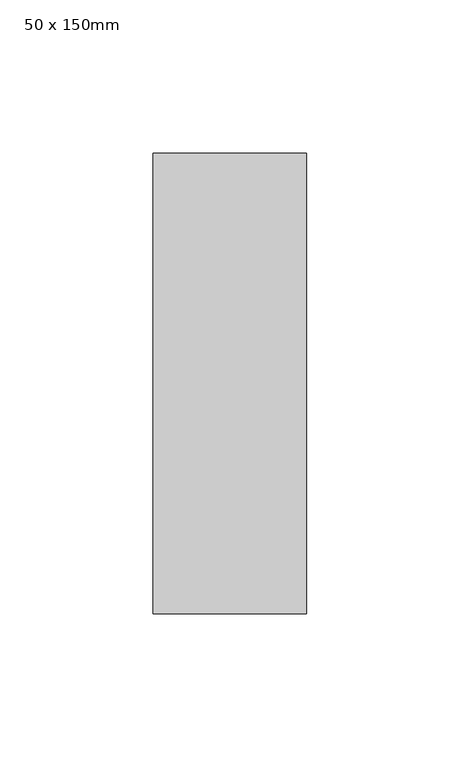
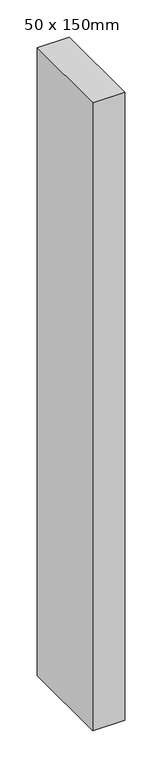
"""IFC4 building model written with IfcOpenShell, lengths in millimetres: member geometry, 50 x 150mm."""

import ifcopenshell
import ifcopenshell.guid

model = None  # the IFC model being written
_history = None  # IfcOwnerHistory: only IFC2X3 demands one
_inside = {}  # id of a spatial element -> (the spatial element, [elements in it])
_under = {}  # id of a project, library or spatial element -> (it, [spatial elements below it])
_declared = {}  # id of a project -> (the project, [libraries it declares])
_typed = {}  # id of a type object -> (the type object, [elements of that type])
_made_of = {}  # id of a material, layer set ... -> (it, [elements and type objects made of it])


def new_model(schema):
    """Start an empty IFC model of exactly this schema.

    Asked for "IFC4X3", IfcOpenShell would pick the latest addendum, in which some entities
    have other attributes; the version numbers below select the first issue.
    IFC2X3 requires an IfcOwnerHistory on every rooted entity: one is made here for all.
    """
    global model, _history
    if schema == "IFC4X3":
        model = ifcopenshell.file(schema_version=(4, 3, 0, 0))
    else:
        model = ifcopenshell.file(schema=schema)
    _inside.clear()
    _under.clear()
    _declared.clear()
    _typed.clear()
    _made_of.clear()
    _history = None
    if model.schema == "IFC2X3":
        org = make("IfcOrganization", Name="unknown")
        user = make(
            "IfcPersonAndOrganization",
            ThePerson=make("IfcPerson", FamilyName="unknown"),
            TheOrganization=org,
        )
        app = make(
            "IfcApplication",
            ApplicationDeveloper=org,
            Version="unknown",
            ApplicationFullName="unknown",
            ApplicationIdentifier="unknown",
        )
        _history = make(
            "IfcOwnerHistory",
            OwningUser=user,
            OwningApplication=app,
            ChangeAction="ADDED",
            CreationDate=0,
        )
    return model


def make(cls, **values):
    """One entity of the class cls with the attributes given. An attribute that is None is left unset."""
    return model.create_entity(
        cls, **{name: value for name, value in values.items() if value is not None}
    )


def rooted(cls, **values):
    """An entity with a GlobalId (a new one), such as an element, a storey or a relation."""
    return make(cls, GlobalId=ifcopenshell.guid.new(), OwnerHistory=_history, **values)


def si_unit(unit_type, name, prefix=None):
    """IfcSIUnit, for example si_unit("LENGTHUNIT", "METRE", prefix="MILLI")."""
    return make("IfcSIUnit", UnitType=unit_type, Prefix=prefix, Name=name)


def assignment(units):
    """IfcUnitAssignment: the units of a project."""
    return None if units is None else make("IfcUnitAssignment", Units=units)


def point(xyz):
    """IfcCartesianPoint."""
    return None if xyz is None else make("IfcCartesianPoint", Coordinates=xyz)


def direction(xyz):
    """IfcDirection."""
    return None if xyz is None else make("IfcDirection", DirectionRatios=xyz)


def frame(location, z_axis=None, x_axis=None):
    """IfcAxis2Placement3D, a coordinate frame: its origin and axes. An axis left out is left unset."""
    return make(
        "IfcAxis2Placement3D",
        Location=point(location),
        Axis=direction(z_axis),
        RefDirection=direction(x_axis),
    )


def origin():
    """The frame at (0, 0, 0) with its axes left unset."""
    return frame((0.0, 0.0, 0.0))


def place(relative_to, where):
    """IfcLocalPlacement: puts the frame where relative to a parent placement (None: the world)."""
    return make(
        "IfcLocalPlacement", PlacementRelTo=relative_to, RelativePlacement=where
    )


def context(
    kind, dimensions, precision=None, world=None, true_north=None, identifier=None
):
    """IfcGeometricRepresentationContext, for example the 3D "Model" context."""
    return make(
        "IfcGeometricRepresentationContext",
        ContextIdentifier=identifier,
        ContextType=kind,
        CoordinateSpaceDimension=dimensions,
        Precision=precision,
        WorldCoordinateSystem=world,
        TrueNorth=true_north,
    )


def project(units=None, contexts=None):
    """IfcProject with its units and contexts."""
    return rooted(
        "IfcProject",
        Name="project",
        RepresentationContexts=contexts,
        UnitsInContext=assignment(units),
    )


def spatial(cls, under=None, at=None, **own):
    """A site, building, storey or space (cls), placed at a placement, below another one or the project."""
    s = rooted(cls, ObjectPlacement=at, **own)
    if under is not None:
        _under.setdefault(under.id(), (under, []))[1].append(s)
    return s


def polyline(points):
    """IfcPolyline through the points."""
    return make("IfcPolyline", Points=[point(p) for p in points])


def outline(outer, holes=None, kind="AREA"):
    """IfcArbitraryClosedProfileDef: a profile drawn as a closed curve; with holes, ...WithVoids."""
    if holes is None:
        return make("IfcArbitraryClosedProfileDef", ProfileType=kind, OuterCurve=outer)
    return make(
        "IfcArbitraryProfileDefWithVoids",
        ProfileType=kind,
        OuterCurve=outer,
        InnerCurves=holes,
    )


def extrude(swept, where, along, depth):
    """IfcExtrudedAreaSolid: the profile swept, set in the frame where, extruded along a direction by depth."""
    return make(
        "IfcExtrudedAreaSolid",
        SweptArea=swept,
        Position=where,
        ExtrudedDirection=direction(along),
        Depth=depth,
    )


def shape(context_of_items, identifier, shape_type, items):
    """IfcShapeRepresentation: the items that make up one representation, for example the "Body"."""
    return make(
        "IfcShapeRepresentation",
        ContextOfItems=context_of_items,
        RepresentationIdentifier=identifier,
        RepresentationType=shape_type,
        Items=items,
    )


def source(mapping_origin, context_of_items, identifier, shape_type, items):
    """IfcRepresentationMap: a shape defined once, which mapped items show again and again."""
    return make(
        "IfcRepresentationMap",
        MappingOrigin=mapping_origin,
        MappedRepresentation=shape(context_of_items, identifier, shape_type, items),
    )


def transform(
    local_origin,
    x_axis=None,
    y_axis=None,
    z_axis=None,
    scale=None,
    scale2=None,
    scale3=None,
    uniform=True,
):
    """IfcCartesianTransformationOperator3D, or its non-uniform kind. x_axis, y_axis, z_axis: its Axis1, 2, 3."""
    if uniform:
        return make(
            "IfcCartesianTransformationOperator3D",
            Axis1=direction(x_axis),
            Axis2=direction(y_axis),
            LocalOrigin=point(local_origin),
            Scale=scale,
            Axis3=direction(z_axis),
        )
    return make(
        "IfcCartesianTransformationOperator3DnonUniform",
        Axis1=direction(x_axis),
        Axis2=direction(y_axis),
        LocalOrigin=point(local_origin),
        Scale=scale,
        Axis3=direction(z_axis),
        Scale2=scale2,
        Scale3=scale3,
    )


def mapped(mapping_source, mapping_target):
    """IfcMappedItem: shows the shape of a source again, moved by a transform."""
    return make(
        "IfcMappedItem", MappingSource=mapping_source, MappingTarget=mapping_target
    )


def made_of(thing, what):
    """Note that an element or type object is made of a material, layer set ...; save() writes the relation."""
    if what is not None:
        _made_of.setdefault(what.id(), (what, []))[1].append(thing)
    return thing


def element(
    cls,
    number,
    at=None,
    inside=None,
    cuts=None,
    type_object=None,
    material=None,
    context=None,
    identifier="Body",
    shape_type=None,
    held_by="IfcProductDefinitionShape",
    body=None,
    shapes=None,
    **own,
):
    """One element of the class cls, such as IfcWall. Its Tag is "e" and its number.

    at: its placement. inside: the storey or other place that contains it. cuts: it is an
    opening in that element (IfcRelVoidsElement). A single representation is given by context,
    identifier, shape_type and body (its items); several are given by shapes. held_by: the class
    of the entity that holds the representations. save() writes the other relations.
    """
    e = rooted(cls, Tag="e%d" % number, ObjectPlacement=at, **own)
    if body is not None:
        shapes = [shape(context, identifier, shape_type, body)]
    if shapes is not None:
        e.Representation = make(held_by, Representations=shapes)
    if inside is not None:
        _inside.setdefault(inside.id(), (inside, []))[1].append(e)
    if cuts is not None:
        rooted(
            "IfcRelVoidsElement", RelatingBuildingElement=cuts, RelatedOpeningElement=e
        )
    if type_object is not None:
        _typed.setdefault(type_object.id(), (type_object, []))[1].append(e)
    return made_of(e, material)


def aggregate(whole, parts):
    """IfcRelAggregates: a whole, such as a stair, and the parts it consists of."""
    return rooted("IfcRelAggregates", RelatingObject=whole, RelatedObjects=parts)


def save(model, path):
    """Write the relations noted so far, then the file.

    IfcRelAggregates (storeys below a building ...), IfcRelContainedInSpatialStructure (elements
    in a storey), IfcRelDefinesByType, IfcRelAssociatesMaterial and IfcRelDeclares: one each for
    every whole, place, type object, material and project.
    """
    for whole, parts in _under.values():
        aggregate(whole, parts)
    for where, things in _inside.values():
        rooted(
            "IfcRelContainedInSpatialStructure",
            RelatedElements=things,
            RelatingStructure=where,
        )
    for kind, things in _typed.values():
        rooted("IfcRelDefinesByType", RelatedObjects=things, RelatingType=kind)
    for what, things in _made_of.values():
        rooted("IfcRelAssociatesMaterial", RelatedObjects=things, RelatingMaterial=what)
    for by, libraries in _declared.values():
        rooted("IfcRelDeclares", RelatingContext=by, RelatedDefinitions=libraries)
    model.write(path)


def member_50_x_150mm_bd8820cc(model_context):
    return source(origin(), model_context, "Body", "SweptSolid", [
        extrude(outline(polyline([(0.0, 75.0), (0.0, -75.0), (-50.0, -75.0), (-50.0, 75.0), (0.0, 75.0)])), frame((0.0, 0.0, -1034.8026798), z_axis=(0.0, 0.0, 1.0), x_axis=(1.0, 0.0, 0.0)), (0.0, 0.0, 1.0), 1034.8026798),
    ])


if __name__ == "__main__":
    model = new_model("IFC4")
    model_context = context("Model", 3, world=origin())
    ifc_project = project(units=[si_unit("LENGTHUNIT", "METRE", prefix="MILLI")], contexts=[model_context])
    site = spatial("IfcSite", under=ifc_project)
    building = spatial("IfcBuilding", under=site)
    placement = place(None, origin())
    member_50_x_150mm_shape = member_50_x_150mm_bd8820cc(model_context)
    element("IfcMember", 1, ObjectType="50 x 150mm", at=placement, inside=building, context=model_context, shape_type="MappedRepresentation", body=[
        mapped(member_50_x_150mm_shape, transform((0.0, 0.0, 0.0), x_axis=(1.0, 0.0, 0.0), y_axis=(0.0, 1.0, 0.0), z_axis=(0.0, 0.0, 1.0))),
    ])
    save(model, "model.ifc")
